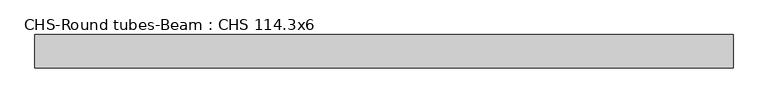
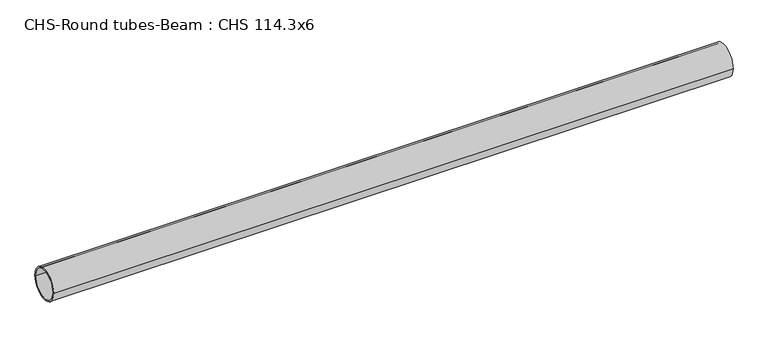
"""IFC4 building model written with IfcOpenShell, lengths in millimetres: beam geometry, CHS-Round tubes-Beam : CHS 114.3x6."""

from ifc_helpers import new_model, si_unit, point, frame, origin, origin_2d, place, context, project, spatial, circle_curve, trimmed, segment, composite_curve, outline, extrude, source, transform, mapped, element, save


def chs_round_tubes_beam_chs_114_3x6_da4f20f7(model_context):
    return source(origin(), model_context, "Body", "SweptSolid", [
        extrude(outline(composite_curve([segment(trimmed(circle_curve(origin_2d(), 57.15), [point((57.15, 0.0))], [point((-57.15, 0.0))], False, "CARTESIAN"), True, "CONTINUOUS"), segment(trimmed(circle_curve(origin_2d(), 57.15), [point((-57.15, 0.0))], [point((57.15, 0.0))], False, "CARTESIAN"), True, "CONTINUOUS")], self_intersect=False), holes=[composite_curve([segment(trimmed(circle_curve(origin_2d(), 51.15), [point((51.15, 0.0))], [point((-51.15, 0.0))], True, "CARTESIAN"), True, "CONTINUOUS"), segment(trimmed(circle_curve(origin_2d(), 51.15), [point((-51.15, 0.0))], [point((51.15, 0.0))], True, "CARTESIAN"), True, "CONTINUOUS")], self_intersect=False)]), frame((-1158.7140788, 0.0, 0.0), z_axis=(1.0, 0.0, 0.0), x_axis=(0.0, 1.0, 0.0)), (0.0, 0.0, 1.0), 2395.7190158),
    ])


if __name__ == "__main__":
    model = new_model("IFC4")
    model_context = context("Model", 3, world=origin())
    ifc_project = project(units=[si_unit("LENGTHUNIT", "METRE", prefix="MILLI")], contexts=[model_context])
    site = spatial("IfcSite", under=ifc_project)
    building = spatial("IfcBuilding", under=site)
    placement = place(None, origin())
    chs_round_tubes_beam_chs_114_3x6_shape = chs_round_tubes_beam_chs_114_3x6_da4f20f7(model_context)
    element("IfcBeam", 1, ObjectType="CHS-Round tubes-Beam : CHS 114.3x6", at=placement, inside=building, context=model_context, shape_type="MappedRepresentation", body=[
        mapped(chs_round_tubes_beam_chs_114_3x6_shape, transform((0.0, 0.0, 0.0), x_axis=(1.0, 0.0, 0.0), y_axis=(0.0, 1.0, 0.0), z_axis=(0.0, 0.0, 1.0))),
    ])
    save(model, "model.ifc")
